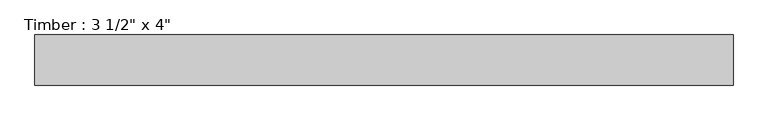
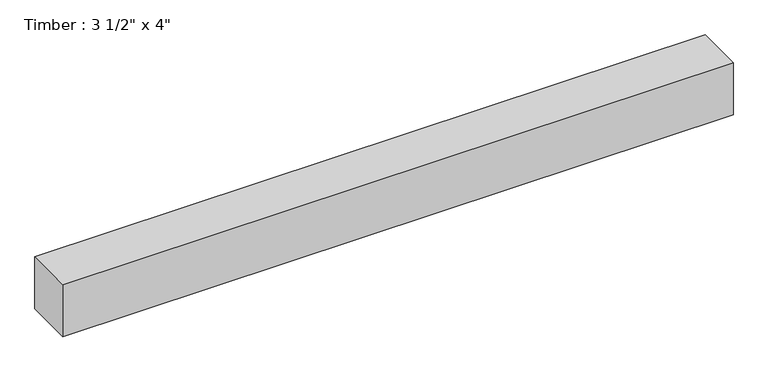
"""IFC4 building model written with IfcOpenShell, lengths in millimetres: beam geometry."""

from ifc_helpers import new_model, si_unit, frame, origin, place, context, project, spatial, polyline, outline, extrude, source, transform, mapped, element, save


def beam_5207830a(model_context):
    return source(origin(), model_context, "Body", "SweptSolid", [
        extrude(outline(polyline([(618.7015551, -44.45), (-618.7015551, -44.45), (-618.7015551, 44.45), (618.7015551, 44.45), (618.7015551, -44.45)])), frame((0.0, 0.0, -50.8), z_axis=(0.0, 0.0, 1.0), x_axis=(1.0, 0.0, 0.0)), (0.0, 0.0, 1.0), 101.6),
    ])


if __name__ == "__main__":
    model = new_model("IFC4")
    model_context = context("Model", 3, world=origin())
    ifc_project = project(units=[si_unit("LENGTHUNIT", "METRE", prefix="MILLI")], contexts=[model_context])
    site = spatial("IfcSite", under=ifc_project)
    building = spatial("IfcBuilding", under=site)
    placement = place(None, origin())
    beam_shape = beam_5207830a(model_context)
    element("IfcBeam", 1, ObjectType="Timber : 3 1/2\" x 4\"", at=placement, inside=building, context=model_context, shape_type="MappedRepresentation", body=[
        mapped(beam_shape, transform((0.0, 0.0, 0.0), x_axis=(1.0, 0.0, 0.0), y_axis=(0.0, 1.0, 0.0), z_axis=(0.0, 0.0, 1.0))),
    ])
    save(model, "model.ifc")
